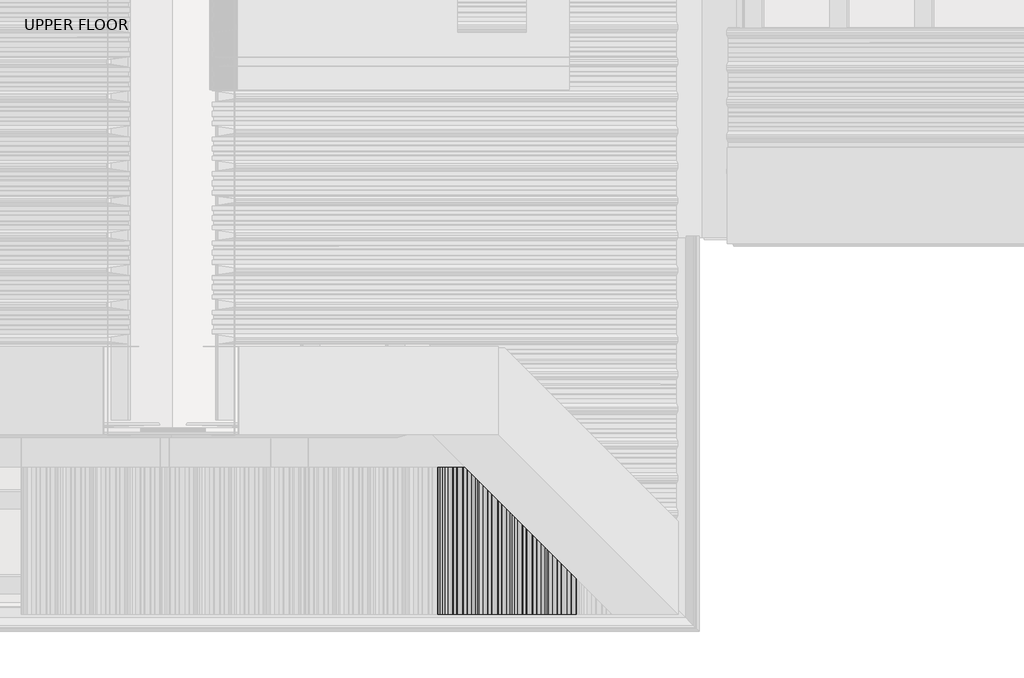
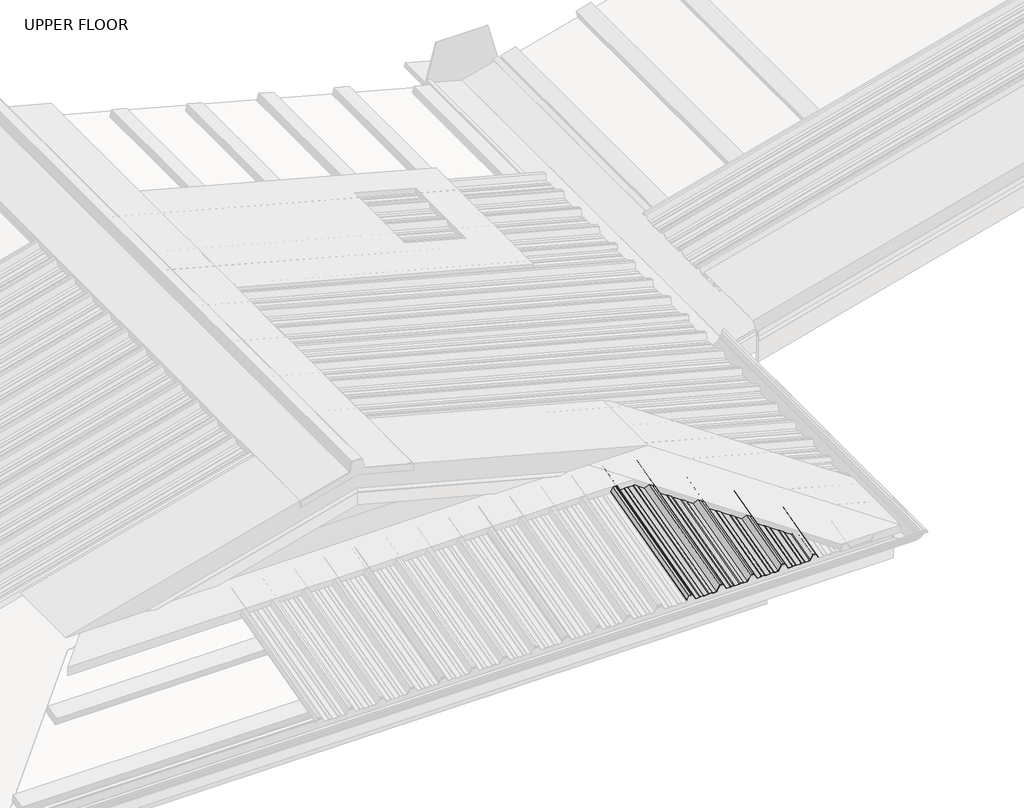
# One storey, part 9 of 21: 1 beam.
"""IFC4 building model written with IfcOpenShell, lengths in millimetres."""

from ifc_helpers import new_model, si_unit, frame, origin, place, context, project, spatial, circle_curve, ellipse_curve, element, save
from ifc_brep_helpers import plane_surface, cylinder_surface, advanced_brep

model = new_model("IFC4")

# Units and contexts
model_context = context("Model", 3, world=origin())
ifc_project = project(units=[si_unit("LENGTHUNIT", "METRE", prefix="MILLI")], contexts=[model_context])

# Site, building, storey
site = spatial("IfcSite", under=ifc_project)
building = spatial("IfcBuilding", under=site)
storey = spatial("IfcBuildingStorey", under=building, Name="UPPER FLOOR", Elevation=2700.0)

# Beam
placement = place(None, origin())
element("IfcBeam", 1, ObjectType="MC700", at=placement, inside=storey, context=model_context, shape_type="AdvancedBrep", body=[
    advanced_brep(
    [(3513.7965667, -3756.7074872, 3502.2532241), (3510.5815225, -3757.2355366, 3504.2239314), (3494.1535312, -3757.2355366, 3504.2239314), (3489.7732135, -3756.7074872, 3502.2532241), (3462.7151918, -3756.7074872, 3502.2532241), (3458.3348741, -3757.2355366, 3504.2239314), (3441.9068828, -3757.2355366, 3504.2239314), (3438.6918386, -3756.7074872, 3502.2532241), (3415.9942011, -3756.7074872, 3502.2532241), (3397.9196911, -3764.7308776, 3532.1969247), (3387.4942026, -3764.7308776, 3532.1969247), (3377.0687142, -3764.7308776, 3532.1969247), (3364.7658996, -3759.2695796, 3511.8150832), (3363.9020137, -3759.3999436, 3512.301608), (3376.4942026, -3764.9896966, 3533.1628505), (3387.4942026, -3764.9896966, 3533.1628505), (3398.4942026, -3764.9896966, 3533.1628505), (3416.5687126, -3756.9663062, 3503.2191499), (3438.4013241, -3756.9663062, 3503.2191499), (3441.6163683, -3757.4943557, 3505.1898572), (3458.5563376, -3757.4943557, 3505.1898572), (3462.9366553, -3756.9663062, 3503.2191499), (3489.55175, -3756.9663062, 3503.2191499), (3493.9320677, -3757.4943557, 3505.1898572), (3510.872037, -3757.4943557, 3505.1898572), (3514.0870812, -3756.9663062, 3503.2191499), (3534.2789948, -3756.9663062, 3503.2191499), (3534.0201757, -3756.7074872, 3502.2532241), (3667.2732135, -3889.960525, 3466.5481802), (3671.6535312, -3894.3408427, 3467.4866753), (3671.6535312, -4660.4975954, 3262.1955922), (3667.2732135, -4660.4975954, 3260.0833945), (3640.2151918, -3862.9025033, 3473.7983553), (3640.2151918, -4660.4975954, 3260.0833945), (3635.8348741, -3858.5221856, 3477.0842556), (3635.8348741, -4660.4975954, 3262.1955922), (3619.4068828, -3842.0941943, 3481.4861226), (3619.4068828, -4660.4975954, 3262.1955922), (3616.1918386, -3838.8791501, 3480.2353934), (3616.1918386, -4660.4975954, 3260.0833945), (3593.4942011, -3816.1815126, 3486.317207), (3593.4942011, -4660.4975954, 3260.0833945), (3575.4196911, -3798.1070026, 3523.253819), (3575.4196911, -4660.4975954, 3292.176956), (3564.9942026, -3787.6815141, 3526.0473202), (3564.9942026, -4660.4975954, 3292.176956), (3554.5687142, -3777.2560257, 3528.8408214), (3554.5687142, -4660.4975954, 3292.176956), (3536.4942042, -3759.1815157, 3501.5903101), (3536.4942042, -4660.4975954, 3260.0833945), (3513.7965667, -4660.4975954, 3260.0833945), (3510.5815225, -4660.4975954, 3262.1955922), (3494.1535312, -4660.4975954, 3262.1955922), (3489.7732135, -4660.4975954, 3260.0833945), (3462.7151918, -4660.4975954, 3260.0833945), (3458.3348741, -4660.4975954, 3262.1955922), (3441.9068828, -4660.4975954, 3262.1955922), (3438.6918386, -4660.4975954, 3260.0833945), (3415.9942011, -4660.4975954, 3260.0833945), (3397.9196911, -4660.4975954, 3292.176956), (3387.4942026, -4660.4975954, 3292.176956), (3377.0687142, -4660.4975954, 3292.176956), (3364.7658996, -4660.4975954, 3270.3317642), (3363.9020137, -4660.4975954, 3270.8532199), (3376.4942026, -4660.4975954, 3293.2122322), (3387.4942026, -4660.4975954, 3293.2122322), (3398.4942026, -4660.4975954, 3293.2122322), (3416.5687126, -4660.4975954, 3261.1186706), (3438.4013241, -4660.4975954, 3261.1186706), (3441.6163683, -4660.4975954, 3263.2308683), (3458.5563376, -4660.4975954, 3263.2308683), (3462.9366553, -4660.4975954, 3261.1186706), (3489.55175, -4660.4975954, 3261.1186706), (3493.9320677, -4660.4975954, 3263.2308683), (3510.872037, -4660.4975954, 3263.2308683), (3514.0870812, -4660.4975954, 3261.1186706), (3535.9196927, -3758.6070041, 3502.7795262), (3535.9196927, -4660.4975954, 3261.1186706), (3553.9942026, -3776.6815141, 3530.0300375), (3553.9942026, -4660.4975954, 3293.2122322), (3564.9942026, -3787.6815141, 3527.0825964), (3564.9942026, -4660.4975954, 3293.2122322), (3575.9942026, -3798.6815141, 3524.1351552), (3575.9942026, -4660.4975954, 3293.2122322), (3594.0687126, -3816.7560241, 3487.1985433), (3594.0687126, -4660.4975954, 3261.1186706), (3615.9013241, -3838.5886356, 3481.3485127), (3615.9013241, -4660.4975954, 3261.1186706), (3619.1163683, -3841.8036798, 3482.5992419), (3619.1163683, -4660.4975954, 3263.2308683), (3636.0563376, -3858.7436491, 3478.0601908), (3636.0563376, -4660.4975954, 3263.2308683), (3640.4366553, -3863.1239668, 3474.7742905), (3640.4366553, -4660.4975954, 3261.1186706), (3667.05175, -3889.7390615, 3467.6427974), (3667.05175, -4660.4975954, 3261.1186706), (3671.4320677, -3894.1193792, 3468.5812925), (3671.4320677, -4660.4975954, 3263.2308683), (3688.372037, -3911.0593485, 3464.0422414), (3688.372037, -4660.4975954, 3263.2308683), (3691.5870812, -3914.2743927, 3461.0685752), (3691.5870812, -4660.4975954, 3261.1186706), (3713.4196927, -3936.1070041, 3455.2185446), (3713.4196927, -4660.4975954, 3261.1186706), (3731.4942026, -3954.1815141, 3482.4690558), (3731.4942026, -4660.4975954, 3293.2122322), (3742.4942026, -3965.1815141, 3479.5216147), (3742.4942026, -4660.4975954, 3293.2122322), (3753.4942026, -3976.1815141, 3476.5741736), (3753.4942026, -4660.4975954, 3293.2122322), (3771.5687126, -3994.2560241, 3439.6375616), (3771.5687126, -4660.4975954, 3261.1186706), (3793.4013241, -4016.0886356, 3433.787531), (3793.4013241, -4660.4975954, 3261.1186706), (3796.6163683, -4019.3036798, 3435.0382602), (3796.6163683, -4660.4975954, 3263.2308683), (3813.5563376, -4036.2436491, 3430.4992091), (3813.5563376, -4660.4975954, 3263.2308683), (3817.9366553, -4040.6239668, 3427.2133088), (3817.9366553, -4660.4975954, 3261.1186706), (3844.55175, -4067.2390615, 3420.0818157), (3844.55175, -4660.4975954, 3261.1186706), (3848.9320677, -4071.6193792, 3421.0203108), (3848.9320677, -4660.4975954, 3263.2308683), (3865.872037, -4088.5593485, 3416.4812597), (3865.872037, -4660.4975954, 3263.2308683), (3869.0870812, -4091.7743927, 3413.5075935), (3869.0870812, -4660.4975954, 3261.1186706), (3890.9196927, -4113.6070041, 3407.6575629), (3890.9196927, -4660.4975954, 3261.1186706), (3908.9942026, -4131.6815141, 3434.9080742), (3908.9942026, -4660.4975954, 3293.2122322), (3919.9942026, -4142.6815141, 3431.960633), (3919.9942026, -4660.4975954, 3293.2122322), (3930.9942026, -4153.6815141, 3429.0131919), (3930.9942026, -4660.4975954, 3293.2122322), (3949.0687126, -4171.7560241, 3392.07658), (3949.0687126, -4660.4975954, 3261.1186706), (3970.9013241, -4193.5886356, 3386.2265494), (3970.9013241, -4660.4975954, 3261.1186706), (3974.1163683, -4196.8036798, 3387.4772786), (3974.1163683, -4660.4975954, 3263.2308683), (3991.0563376, -4213.7436491, 3382.9382275), (3991.0563376, -4660.4975954, 3263.2308683), (3995.4366553, -4218.1239668, 3379.6523272), (3995.4366553, -4660.4975954, 3261.1186706), (4022.05175, -4244.7390615, 3372.5208341), (4022.05175, -4660.4975954, 3261.1186706), (4026.4320677, -4249.1193792, 3373.4593292), (4026.4320677, -4660.4975954, 3263.2308683), (4043.372037, -4266.0593485, 3368.9202781), (4043.372037, -4660.4975954, 3263.2308683), (4046.5870812, -4269.2743927, 3365.9466119), (4046.5870812, -4660.4975954, 3261.1186706), (4070.7348132, -4293.4221247, 3359.4762466), (4070.7348132, -4660.4975954, 3261.1186706), (4087.6432258, -4310.3305373, 3384.9686603), (4087.6432258, -4660.4975954, 3291.1416799), (4107.3451795, -4330.032491, 3379.6895377), (4107.3451795, -4660.4975954, 3291.1416799), (4121.7906953, -4344.4780068, 3350.1690467), (4121.7906953, -4660.4975954, 3265.4918531), (4120.9268094, -4343.6141209, 3349.8790685), (4120.9268094, -4660.4975954, 3264.9703974), (4106.7706679, -4329.4579794, 3378.8082015), (4106.7706679, -4660.4975954, 3290.1064037), (4088.2177374, -4310.9050488, 3383.7794442), (4088.2177374, -4660.4975954, 3290.1064037), (4071.3093248, -4293.9966363, 3358.2870305), (4071.3093248, -4660.4975954, 3260.0833945), (4046.2965667, -4268.9838782, 3364.9891788), (4046.2965667, -4660.4975954, 3260.0833945), (4043.0815225, -4265.768834, 3367.962845), (4043.0815225, -4660.4975954, 3262.1955922), (4026.6535312, -4249.3408427, 3372.364712), (4026.6535312, -4660.4975954, 3262.1955922), (4022.2732135, -4244.960525, 3371.4262169), (4022.2732135, -4660.4975954, 3260.0833945), (3995.2151918, -4217.9025033, 3378.676392), (3995.2151918, -4660.4975954, 3260.0833945), (3990.8348741, -4213.5221856, 3381.9622923), (3990.8348741, -4660.4975954, 3262.1955922), (3974.4068828, -4197.0941943, 3386.3641593), (3974.4068828, -4660.4975954, 3262.1955922), (3971.1918386, -4193.8791501, 3385.1134301), (3971.1918386, -4660.4975954, 3260.0833945), (3948.4942011, -4171.1815126, 3391.1952437), (3948.4942011, -4660.4975954, 3260.0833945), (3930.4196911, -4153.1070026, 3428.1318557), (3930.4196911, -4660.4975954, 3292.176956), (3919.9942026, -4142.6815141, 3430.9253569), (3919.9942026, -4660.4975954, 3292.176956), (3909.5687142, -4132.2560257, 3433.7188581), (3909.5687142, -4660.4975954, 3292.176956), (3891.4942042, -4114.1815157, 3406.4683468), (3891.4942042, -4660.4975954, 3260.0833945), (3868.7965667, -4091.4838782, 3412.5501605), (3868.7965667, -4660.4975954, 3260.0833945), (3865.5815225, -4088.268834, 3415.5238267), (3865.5815225, -4660.4975954, 3262.1955922), (3849.1535312, -4071.8408427, 3419.9256937), (3849.1535312, -4660.4975954, 3262.1955922), (3844.7732135, -4067.460525, 3418.9871986), (3844.7732135, -4660.4975954, 3260.0833945), (3817.7151918, -4040.4025033, 3426.2373736), (3817.7151918, -4660.4975954, 3260.0833945), (3813.3348741, -4036.0221856, 3429.5232739), (3813.3348741, -4660.4975954, 3262.1955922), (3796.9068828, -4019.5941943, 3433.9251409), (3796.9068828, -4660.4975954, 3262.1955922), (3793.6918386, -4016.3791501, 3432.6744117), (3793.6918386, -4660.4975954, 3260.0833945), (3770.9942011, -3993.6815126, 3438.7562254), (3770.9942011, -4660.4975954, 3260.0833945), (3752.9196911, -3975.6070026, 3475.6928373), (3752.9196911, -4660.4975954, 3292.176956), (3742.4942026, -3965.1815141, 3478.4863385), (3742.4942026, -4660.4975954, 3292.176956), (3732.0687142, -3954.7560257, 3481.2798397), (3732.0687142, -4660.4975954, 3292.176956), (3713.9942042, -3936.6815157, 3454.0293285), (3713.9942042, -4660.4975954, 3260.0833945), (3691.2965667, -3913.9838782, 3460.1111421), (3691.2965667, -4660.4975954, 3260.0833945), (3688.0815225, -3910.768834, 3463.0848083), (3688.0815225, -4660.4975954, 3262.1955922)],
    [
        (0, 1),
        (1, 2),
        (2, 3),
        (3, 4),
        (4, 5),
        (5, 6),
        (6, 7),
        (7, 8),
        (8, 9),
        (9, 10),
        (10, 11),
        (11, 12),
        (12, 13, circle_curve(frame((3364.3339567, -3759.3347616, 3512.0583456), z_axis=(0.0, 0.9659258262890683, 0.2588190451025206), x_axis=(-1.0000000000000002, 0.0, 0.0)), 0.5)),
        (13, 14),
        (14, 15),
        (15, 16),
        (16, 17),
        (17, 18),
        (18, 19),
        (19, 20),
        (20, 21),
        (21, 22),
        (22, 23),
        (23, 24),
        (24, 25),
        (25, 26),
        (26, 27),
        (27, 0),
        (28, 29),
        (29, 30),
        (30, 31),
        (31, 28),
        (32, 28),
        (31, 33),
        (33, 32),
        (34, 32),
        (33, 35),
        (35, 34),
        (36, 34),
        (35, 37),
        (37, 36),
        (38, 36),
        (37, 39),
        (39, 38),
        (40, 38),
        (39, 41),
        (41, 40),
        (42, 40),
        (41, 43),
        (43, 42),
        (44, 42),
        (43, 45),
        (45, 44),
        (46, 44),
        (45, 47),
        (47, 46),
        (48, 46),
        (47, 49),
        (49, 48),
        (27, 48),
        (49, 50),
        (50, 0),
        (50, 51),
        (51, 1),
        (51, 52),
        (52, 2),
        (52, 53),
        (53, 3),
        (53, 54),
        (54, 4),
        (54, 55),
        (55, 5),
        (55, 56),
        (56, 6),
        (56, 57),
        (57, 7),
        (57, 58),
        (58, 8),
        (58, 59),
        (59, 9),
        (59, 60),
        (60, 10),
        (60, 61),
        (61, 11),
        (61, 62),
        (62, 12),
        (62, 63, ellipse_curve(frame((3364.3339567, -4660.4975954, 3270.5924921), z_axis=(0.0, 1.0, 0.0), x_axis=(0.0, 0.0, 1.0)), 0.5176381, 0.5)),
        (63, 13),
        (63, 64),
        (64, 14),
        (64, 65),
        (65, 15),
        (65, 66),
        (66, 16),
        (66, 67),
        (67, 17),
        (67, 68),
        (68, 18),
        (68, 69),
        (69, 19),
        (69, 70),
        (70, 20),
        (70, 71),
        (71, 21),
        (71, 72),
        (72, 22),
        (72, 73),
        (73, 23),
        (73, 74),
        (74, 24),
        (74, 75),
        (75, 25),
        (76, 26),
        (75, 77),
        (77, 76),
        (78, 76),
        (77, 79),
        (79, 78),
        (80, 78),
        (79, 81),
        (81, 80),
        (82, 80),
        (81, 83),
        (83, 82),
        (84, 82),
        (83, 85),
        (85, 84),
        (86, 84),
        (85, 87),
        (87, 86),
        (88, 86),
        (87, 89),
        (89, 88),
        (90, 88),
        (89, 91),
        (91, 90),
        (92, 90),
        (91, 93),
        (93, 92),
        (94, 92),
        (93, 95),
        (95, 94),
        (96, 94),
        (95, 97),
        (97, 96),
        (98, 96),
        (97, 99),
        (99, 98),
        (100, 98),
        (99, 101),
        (101, 100),
        (102, 100),
        (101, 103),
        (103, 102),
        (104, 102),
        (103, 105),
        (105, 104),
        (106, 104),
        (105, 107),
        (107, 106),
        (108, 106),
        (107, 109),
        (109, 108),
        (110, 108),
        (109, 111),
        (111, 110),
        (112, 110),
        (111, 113),
        (113, 112),
        (114, 112),
        (113, 115),
        (115, 114),
        (116, 114),
        (115, 117),
        (117, 116),
        (118, 116),
        (117, 119),
        (119, 118),
        (120, 118),
        (119, 121),
        (121, 120),
        (122, 120),
        (121, 123),
        (123, 122),
        (124, 122),
        (123, 125),
        (125, 124),
        (126, 124),
        (125, 127),
        (127, 126),
        (128, 126),
        (127, 129),
        (129, 128),
        (130, 128),
        (129, 131),
        (131, 130),
        (132, 130),
        (131, 133),
        (133, 132),
        (134, 132),
        (133, 135),
        (135, 134),
        (136, 134),
        (135, 137),
        (137, 136),
        (138, 136),
        (137, 139),
        (139, 138),
        (140, 138),
        (139, 141),
        (141, 140),
        (142, 140),
        (141, 143),
        (143, 142),
        (144, 142),
        (143, 145),
        (145, 144),
        (146, 144),
        (145, 147),
        (147, 146),
        (148, 146),
        (147, 149),
        (149, 148),
        (150, 148),
        (149, 151),
        (151, 150),
        (152, 150),
        (151, 153),
        (153, 152),
        (154, 152),
        (153, 155),
        (155, 154),
        (156, 154),
        (155, 157),
        (157, 156),
        (158, 156),
        (157, 159),
        (159, 158),
        (160, 158),
        (159, 161),
        (161, 160),
        (162, 160, ellipse_curve(frame((4121.3587523, -4344.0460638, 3350.0240576), z_axis=(-0.7071067811865475, -0.7071067811865476, 0.0), x_axis=(-0.6612248329466449, 0.6612248329466448, 0.3543493200069154)), 0.7320508, 0.5)),
        (161, 163, ellipse_curve(frame((4121.3587523, -4660.4975954, 3265.2311252), z_axis=(0.0, 1.0, 0.0), x_axis=(0.0, 0.0, 1.0)), 0.5176381, 0.5)),
        (163, 162),
        (164, 162),
        (163, 165),
        (165, 164),
        (166, 164),
        (165, 167),
        (167, 166),
        (168, 166),
        (167, 169),
        (169, 168),
        (170, 168),
        (169, 171),
        (171, 170),
        (172, 170),
        (171, 173),
        (173, 172),
        (174, 172),
        (173, 175),
        (175, 174),
        (176, 174),
        (175, 177),
        (177, 176),
        (178, 176),
        (177, 179),
        (179, 178),
        (180, 178),
        (179, 181),
        (181, 180),
        (182, 180),
        (181, 183),
        (183, 182),
        (184, 182),
        (183, 185),
        (185, 184),
        (186, 184),
        (185, 187),
        (187, 186),
        (188, 186),
        (187, 189),
        (189, 188),
        (190, 188),
        (189, 191),
        (191, 190),
        (192, 190),
        (191, 193),
        (193, 192),
        (194, 192),
        (193, 195),
        (195, 194),
        (196, 194),
        (195, 197),
        (197, 196),
        (198, 196),
        (197, 199),
        (199, 198),
        (200, 198),
        (199, 201),
        (201, 200),
        (202, 200),
        (201, 203),
        (203, 202),
        (204, 202),
        (203, 205),
        (205, 204),
        (206, 204),
        (205, 207),
        (207, 206),
        (208, 206),
        (207, 209),
        (209, 208),
        (210, 208),
        (209, 211),
        (211, 210),
        (212, 210),
        (211, 213),
        (213, 212),
        (214, 212),
        (213, 215),
        (215, 214),
        (216, 214),
        (215, 217),
        (217, 216),
        (218, 216),
        (217, 219),
        (219, 218),
        (220, 218),
        (219, 221),
        (221, 220),
        (222, 220),
        (221, 223),
        (223, 222),
        (224, 222),
        (223, 225),
        (225, 224),
        (29, 224),
        (225, 30),
    ],
    [
        plane_surface(frame((3817.7151918, -3756.7074872, 3502.2532241), z_axis=(0.0, 0.9659258262890685, 0.25881904510252035), x_axis=(-0.9064939238095152, -0.10927828227881019, 0.40783210162838035))),
        plane_surface(frame((3671.6535312, -3757.2355366, 3504.2239314), z_axis=(0.42221886042244317, 0.23461789175161535, -0.8756058923817271), x_axis=(0.0, -0.9659258262890683, -0.2588190451025206))),
        plane_surface(frame((3667.2732135, -3756.7074872, 3502.2532241), z_axis=(0.0, 0.2588190451025206, -0.9659258262890683), x_axis=(0.0, -0.9659258262890683, -0.2588190451025206))),
        plane_surface(frame((3640.2151918, -3756.7074872, 3502.2532241), z_axis=(-0.42221886042244317, 0.23461789175161676, -0.8756058923817267), x_axis=(0.0, -0.9659258262890683, -0.2588190451025206))),
        plane_surface(frame((3635.8348741, -3757.2355366, 3504.2239314), z_axis=(0.0, 0.2588190451025206, -0.9659258262890683), x_axis=(0.0, -0.9659258262890683, -0.2588190451025206))),
        plane_surface(frame((3619.4068828, -3757.2355366, 3504.2239314), z_axis=(0.5358075541289593, 0.21853130769187554, -0.8155699433505511), x_axis=(0.0, -0.9659258262890683, -0.2588190451025206))),
        plane_surface(frame((3616.1918386, -3756.7074872, 3502.2532241), z_axis=(0.0, 0.2588190451025206, -0.9659258262890683), x_axis=(0.0, -0.9659258262890683, -0.2588190451025206))),
        plane_surface(frame((3593.4942011, -3756.7074872, 3502.2532241), z_axis=(-0.8638858976217886, 0.1303639327417882, -0.4865248204668401), x_axis=(0.0, -0.9659258262890683, -0.2588190451025206))),
        plane_surface(frame((3575.4196911, -3764.7308776, 3532.1969247), z_axis=(0.0, 0.2588190451025206, -0.9659258262890683), x_axis=(0.0, -0.9659258262890683, -0.2588190451025206))),
        plane_surface(frame((3564.9942026, -3764.7308776, 3532.1969247), z_axis=(0.0, 0.2588190451025206, -0.9659258262890683), x_axis=(0.0, -0.9659258262890683, -0.2588190451025206))),
        plane_surface(frame((3554.5687142, -3764.7308776, 3532.1969247), z_axis=(0.8638858976217945, 0.13036393274178276, -0.4865248204668313), x_axis=(0.0, -0.9659258262890683, -0.2588190451025206))),
        plane_surface(frame((3536.4942042, -3756.7074872, 3502.2532241), z_axis=(0.0, 0.2588190451025206, -0.9659258262890683), x_axis=(0.0, -0.9659258262890683, -0.2588190451025206))),
        plane_surface(frame((3513.7965667, -3756.7074872, 3502.2532241), z_axis=(-0.53580755412894, 0.21853130769188048, -0.8155699433505624), x_axis=(0.0, -0.9659258262890683, -0.2588190451025206))),
        plane_surface(frame((3510.5815225, -3757.2355366, 3504.2239314), z_axis=(0.0, 0.2588190451025206, -0.9659258262890683), x_axis=(0.0, -0.9659258262890683, -0.2588190451025206))),
        plane_surface(frame((3494.1535312, -3757.2355366, 3504.2239314), z_axis=(0.42221886042244033, 0.23461789175161574, -0.8756058923817285), x_axis=(0.0, -0.9659258262890683, -0.2588190451025206))),
        plane_surface(frame((3489.7732135, -3756.7074872, 3502.2532241), z_axis=(0.0, 0.2588190451025206, -0.9659258262890683), x_axis=(0.0, -0.9659258262890683, -0.2588190451025206))),
        plane_surface(frame((3462.7151918, -3756.7074872, 3502.2532241), z_axis=(-0.42221886042244317, 0.23461789175161682, -0.8756058923817267), x_axis=(0.0, -0.9659258262890683, -0.2588190451025206))),
        plane_surface(frame((3458.3348741, -3757.2355366, 3504.2239314), z_axis=(0.0, 0.2588190451025206, -0.9659258262890683), x_axis=(0.0, -0.9659258262890683, -0.2588190451025206))),
        plane_surface(frame((3441.9068828, -3757.2355366, 3504.2239314), z_axis=(0.5358075541289592, 0.21853130769187545, -0.8155699433505511), x_axis=(0.0, -0.9659258262890683, -0.2588190451025206))),
        plane_surface(frame((3438.6918386, -3756.7074872, 3502.2532241), z_axis=(0.0, 0.2588190451025206, -0.9659258262890683), x_axis=(0.0, -0.9659258262890683, -0.2588190451025206))),
        plane_surface(frame((3415.9942011, -3756.7074872, 3502.2532241), z_axis=(-0.8638858976217886, 0.1303639327417882, -0.4865248204668401), x_axis=(0.0, -0.9659258262890683, -0.2588190451025206))),
        plane_surface(frame((3397.9196911, -3764.7308776, 3532.1969247), z_axis=(0.0, 0.2588190451025206, -0.9659258262890683), x_axis=(0.0, -0.9659258262890683, -0.2588190451025206))),
        plane_surface(frame((3387.4942026, -3764.7308776, 3532.1969247), z_axis=(0.0, 0.2588190451025205, -0.9659258262890683), x_axis=(0.0, -0.9659258262890683, -0.2588190451025205))),
        plane_surface(frame((3377.0687142, -3764.7308776, 3532.1969247), z_axis=(0.863885897621789, 0.13036393274178507, -0.48652482046684037), x_axis=(0.0, -0.9659258262890683, -0.2588190451025206))),
        cylinder_surface(frame((3364.3339567, -4672.135119, 3267.474227), z_axis=(0.0, 0.9659258262890683, 0.2588190451025206), x_axis=(-1.0000000000000002, 0.0, 0.0)), 0.5),
        plane_surface(frame((3363.9020137, -3759.3999436, 3512.301608), z_axis=(-0.8638858976218092, -0.1303639327417763, 0.48652482046680706), x_axis=(0.0, -0.9659258262890683, -0.25881904510252063))),
        plane_surface(frame((3376.4942026, -3764.9896966, 3533.1628505), z_axis=(0.0, -0.2588190451025205, 0.9659258262890683), x_axis=(0.0, -0.9659258262890683, -0.2588190451025205))),
        plane_surface(frame((3387.4942026, -3764.9896966, 3533.1628505), z_axis=(0.0, -0.2588190451025206, 0.9659258262890683), x_axis=(0.0, -0.9659258262890683, -0.2588190451025206))),
        plane_surface(frame((3398.4942026, -3764.9896966, 3533.1628505), z_axis=(0.8638858976217886, -0.13036393274178834, 0.48652482046684004), x_axis=(0.0, -0.9659258262890683, -0.25881904510252063))),
        plane_surface(frame((3416.5687126, -3756.9663062, 3503.2191499), z_axis=(0.0, -0.2588190451025206, 0.9659258262890683), x_axis=(0.0, -0.9659258262890683, -0.2588190451025206))),
        plane_surface(frame((3438.4013241, -3756.9663062, 3503.2191499), z_axis=(-0.5358075541289432, -0.21853130769187817, 0.8155699433505609), x_axis=(0.0, -0.9659258262890683, -0.2588190451025206))),
        plane_surface(frame((3441.6163683, -3757.4943557, 3505.1898572), z_axis=(0.0, -0.2588190451025206, 0.9659258262890683), x_axis=(0.0, -0.9659258262890683, -0.2588190451025206))),
        plane_surface(frame((3458.5563376, -3757.4943557, 3505.1898572), z_axis=(0.42221886042244605, -0.2346178917516165, 0.8756058923817254), x_axis=(0.0, -0.9659258262890683, -0.25881904510252063))),
        plane_surface(frame((3462.9366553, -3756.9663062, 3503.2191499), z_axis=(0.0, -0.2588190451025206, 0.9659258262890683), x_axis=(0.0, -0.9659258262890683, -0.2588190451025206))),
        plane_surface(frame((3489.55175, -3756.9663062, 3503.2191499), z_axis=(-0.4222188604224378, -0.23461789175161601, 0.8756058923817296), x_axis=(0.0, -0.9659258262890683, -0.2588190451025206))),
        plane_surface(frame((3493.9320677, -3757.4943557, 3505.1898572), z_axis=(0.0, -0.2588190451025206, 0.9659258262890683), x_axis=(0.0, -0.9659258262890683, -0.2588190451025206))),
        plane_surface(frame((3510.872037, -3757.4943557, 3505.1898572), z_axis=(0.5358075541289593, -0.21853130769187734, 0.8155699433505507), x_axis=(0.0, -0.9659258262890683, -0.2588190451025206))),
        plane_surface(frame((3514.0870812, -3756.9663062, 3503.2191499), z_axis=(0.0, -0.2588190451025206, 0.9659258262890683), x_axis=(0.0, -0.9659258262890683, -0.2588190451025206))),
        plane_surface(frame((3535.9196927, -3756.9663062, 3503.2191499), z_axis=(-0.8638858976217945, -0.13036393274178268, 0.4865248204668312), x_axis=(0.0, -0.9659258262890683, -0.2588190451025206))),
        plane_surface(frame((3553.9942026, -3764.9896966, 3533.1628505), z_axis=(0.0, -0.2588190451025206, 0.9659258262890683), x_axis=(0.0, -0.9659258262890683, -0.2588190451025206))),
        plane_surface(frame((3564.9942026, -3764.9896966, 3533.1628505), z_axis=(0.0, -0.2588190451025206, 0.9659258262890683), x_axis=(0.0, -0.9659258262890683, -0.2588190451025206))),
        plane_surface(frame((3575.9942026, -3764.9896966, 3533.1628505), z_axis=(0.8638858976217904, -0.1303639327417875, 0.4865248204668373), x_axis=(0.0, -0.9659258262890683, -0.2588190451025206))),
        plane_surface(frame((3594.0687126, -3756.9663062, 3503.2191499), z_axis=(0.0, -0.2588190451025206, 0.9659258262890683), x_axis=(0.0, -0.9659258262890683, -0.2588190451025206))),
        plane_surface(frame((3615.9013241, -3756.9663062, 3503.2191499), z_axis=(-0.5358075541289592, -0.2185313076918755, 0.8155699433505511), x_axis=(0.0, -0.9659258262890683, -0.2588190451025206))),
        plane_surface(frame((3619.1163683, -3757.4943557, 3505.1898572), z_axis=(0.0, -0.2588190451025206, 0.9659258262890683), x_axis=(0.0, -0.9659258262890683, -0.2588190451025206))),
        plane_surface(frame((3636.0563376, -3757.4943557, 3505.1898572), z_axis=(0.42221886042245393, -0.2346178917516155, 0.8756058923817218), x_axis=(0.0, -0.9659258262890683, -0.2588190451025206))),
        plane_surface(frame((3640.4366553, -3756.9663062, 3503.2191499), z_axis=(0.0, -0.2588190451025206, 0.9659258262890683), x_axis=(0.0, -0.9659258262890683, -0.2588190451025206))),
        plane_surface(frame((3667.05175, -3756.9663062, 3503.2191499), z_axis=(-0.4222188604224407, -0.23461789175161568, 0.8756058923817283), x_axis=(0.0, -0.9659258262890683, -0.2588190451025206))),
        plane_surface(frame((3671.4320677, -3757.4943557, 3505.1898572), z_axis=(0.0, -0.2588190451025206, 0.9659258262890683), x_axis=(0.0, -0.9659258262890683, -0.2588190451025206))),
        plane_surface(frame((3688.372037, -3757.4943557, 3505.1898572), z_axis=(0.5358075541289656, -0.21853130769187631, 0.8155699433505468), x_axis=(0.0, -0.9659258262890683, -0.2588190451025206))),
        plane_surface(frame((3691.5870812, -3756.9663062, 3503.2191499), z_axis=(0.0, -0.2588190451025206, 0.9659258262890683), x_axis=(0.0, -0.9659258262890683, -0.2588190451025206))),
        plane_surface(frame((3713.4196927, -3756.9663062, 3503.2191499), z_axis=(-0.8638858976217904, -0.13036393274178446, 0.48652482046683787), x_axis=(0.0, -0.9659258262890683, -0.2588190451025206))),
        plane_surface(frame((3731.4942026, -3764.9896966, 3533.1628505), z_axis=(0.0, -0.2588190451025206, 0.9659258262890683), x_axis=(0.0, -0.9659258262890683, -0.2588190451025206))),
        plane_surface(frame((3742.4942026, -3764.9896966, 3533.1628505), z_axis=(0.0, -0.2588190451025206, 0.9659258262890683), x_axis=(0.0, -0.9659258262890683, -0.2588190451025206))),
        plane_surface(frame((3753.4942026, -3764.9896966, 3533.1628505), z_axis=(0.8638858976217879, -0.13036393274178862, 0.48652482046684137), x_axis=(0.0, -0.9659258262890683, -0.2588190451025206))),
        plane_surface(frame((3771.5687126, -3756.9663062, 3503.2191499), z_axis=(0.0, -0.2588190451025206, 0.9659258262890683), x_axis=(0.0, -0.9659258262890683, -0.2588190451025206))),
        plane_surface(frame((3793.4013241, -3756.9663062, 3503.2191499), z_axis=(-0.5358075541289553, -0.21853130769187623, 0.8155699433505538), x_axis=(0.0, -0.9659258262890683, -0.2588190451025206))),
        plane_surface(frame((3796.6163683, -3757.4943557, 3505.1898572), z_axis=(0.0, -0.2588190451025206, 0.9659258262890683), x_axis=(0.0, -0.9659258262890683, -0.2588190451025206))),
        plane_surface(frame((3813.5563376, -3757.4943557, 3505.1898572), z_axis=(0.42221886042244594, -0.2346178917516165, 0.8756058923817255), x_axis=(0.0, -0.9659258262890683, -0.2588190451025206))),
        plane_surface(frame((3817.9366553, -3756.9663062, 3503.2191499), z_axis=(0.0, -0.2588190451025206, 0.9659258262890683), x_axis=(0.0, -0.9659258262890683, -0.2588190451025206))),
        plane_surface(frame((3844.55175, -3756.9663062, 3503.2191499), z_axis=(-0.42221886042244855, -0.23461789175161474, 0.8756058923817247), x_axis=(0.0, -0.9659258262890683, -0.2588190451025206))),
        plane_surface(frame((3848.9320677, -3757.4943557, 3505.1898572), z_axis=(0.0, -0.2588190451025206, 0.9659258262890683), x_axis=(0.0, -0.9659258262890683, -0.2588190451025206))),
        plane_surface(frame((3865.872037, -3757.4943557, 3505.1898572), z_axis=(0.5358075541289593, -0.21853130769187734, 0.8155699433505507), x_axis=(0.0, -0.9659258262890683, -0.2588190451025206))),
        plane_surface(frame((3869.0870812, -3756.9663062, 3503.2191499), z_axis=(0.0, -0.2588190451025206, 0.9659258262890683), x_axis=(0.0, -0.9659258262890683, -0.2588190451025206))),
        plane_surface(frame((3890.9196927, -3756.9663062, 3503.2191499), z_axis=(-0.8638858976217911, -0.13036393274178418, 0.48652482046683676), x_axis=(0.0, -0.9659258262890683, -0.2588190451025206))),
        plane_surface(frame((3908.9942026, -3764.9896966, 3533.1628505), z_axis=(0.0, -0.2588190451025206, 0.9659258262890683), x_axis=(0.0, -0.9659258262890683, -0.2588190451025206))),
        plane_surface(frame((3919.9942026, -3764.9896966, 3533.1628505), z_axis=(0.0, -0.2588190451025206, 0.9659258262890683), x_axis=(0.0, -0.9659258262890683, -0.2588190451025206))),
        plane_surface(frame((3930.9942026, -3764.9896966, 3533.1628505), z_axis=(0.8638858976217862, -0.13036393274178934, 0.48652482046684403), x_axis=(0.0, -0.9659258262890683, -0.2588190451025206))),
        plane_surface(frame((3949.0687126, -3756.9663062, 3503.2191499), z_axis=(0.0, -0.2588190451025206, 0.9659258262890683), x_axis=(0.0, -0.9659258262890683, -0.2588190451025206))),
        plane_surface(frame((3970.9013241, -3756.9663062, 3503.2191499), z_axis=(-0.5358075541289553, -0.21853130769187623, 0.8155699433505538), x_axis=(0.0, -0.9659258262890683, -0.2588190451025206))),
        plane_surface(frame((3974.1163683, -3757.4943557, 3505.1898572), z_axis=(0.0, -0.2588190451025206, 0.9659258262890683), x_axis=(0.0, -0.9659258262890683, -0.2588190451025206))),
        plane_surface(frame((3991.0563376, -3757.4943557, 3505.1898572), z_axis=(0.42221886042244855, -0.23461789175161618, 0.8756058923817243), x_axis=(0.0, -0.9659258262890683, -0.2588190451025206))),
        plane_surface(frame((3995.4366553, -3756.9663062, 3503.2191499), z_axis=(0.0, -0.2588190451025206, 0.9659258262890683), x_axis=(0.0, -0.9659258262890683, -0.2588190451025206))),
        plane_surface(frame((4022.05175, -3756.9663062, 3503.2191499), z_axis=(-0.42221886042244583, -0.23461789175161504, 0.8756058923817259), x_axis=(0.0, -0.9659258262890683, -0.2588190451025206))),
        plane_surface(frame((4026.4320677, -3757.4943557, 3505.1898572), z_axis=(0.0, -0.2588190451025206, 0.9659258262890683), x_axis=(0.0, -0.9659258262890683, -0.2588190451025206))),
        plane_surface(frame((4043.372037, -3757.4943557, 3505.1898572), z_axis=(0.5358075541289553, -0.218531307691878, 0.8155699433505531), x_axis=(0.0, -0.9659258262890683, -0.2588190451025206))),
        plane_surface(frame((4046.5870812, -3756.9663062, 3503.2191499), z_axis=(0.0, -0.2588190451025206, 0.9659258262890683), x_axis=(0.0, -0.9659258262890683, -0.2588190451025206))),
        plane_surface(frame((4070.7348132, -3756.9663062, 3503.2191499), z_axis=(-0.8638858976217909, -0.1303639327417843, 0.4865248204668372), x_axis=(0.0, -0.9659258262890683, -0.2588190451025206))),
        plane_surface(frame((4087.6432258, -3764.4720586, 3531.2309989), z_axis=(0.0, -0.2588190451025206, 0.9659258262890683), x_axis=(0.0, -0.9659258262890683, -0.2588190451025206))),
        plane_surface(frame((4107.3451795, -3764.4720586, 3531.2309989), z_axis=(0.8638858976217945, -0.13036393274178576, 0.48652482046683077), x_axis=(0.0, -0.9659258262890683, -0.2588190451025206))),
        cylinder_surface(frame((4121.3587523, -4670.7947773, 3262.4720037), z_axis=(0.0, 0.9659258262890683, 0.2588190451025206), x_axis=(-1.0000000000000002, 0.0, 0.0)), 0.5),
        plane_surface(frame((4120.9268094, -3757.9292379, 3506.8128599), z_axis=(-0.8638858976217776, 0.13036393274179317, -0.4865248204668584), x_axis=(0.0, -0.9659258262890683, -0.2588190451025206))),
        plane_surface(frame((4106.7706679, -3764.2132395, 3530.265073), z_axis=(0.0, 0.2588190451025206, -0.9659258262890683), x_axis=(0.0, -0.9659258262890683, -0.2588190451025206))),
        plane_surface(frame((4088.2177374, -3764.2132395, 3530.265073), z_axis=(0.8638858976217909, 0.1303639327417843, -0.4865248204668372), x_axis=(0.0, -0.9659258262890683, -0.2588190451025206))),
        plane_surface(frame((4071.3093248, -3756.7074872, 3502.2532241), z_axis=(0.0, 0.2588190451025206, -0.9659258262890683), x_axis=(0.0, -0.9659258262890683, -0.2588190451025206))),
        plane_surface(frame((4046.2965667, -3756.7074872, 3502.2532241), z_axis=(-0.5358075541289553, 0.218531307691878, -0.8155699433505531), x_axis=(0.0, -0.9659258262890683, -0.2588190451025206))),
        plane_surface(frame((4043.0815225, -3757.2355366, 3504.2239314), z_axis=(0.0, 0.2588190451025206, -0.9659258262890683), x_axis=(0.0, -0.9659258262890683, -0.2588190451025206))),
        plane_surface(frame((4026.6535312, -3757.2355366, 3504.2239314), z_axis=(0.42221886042244583, 0.23461789175161504, -0.8756058923817259), x_axis=(0.0, -0.9659258262890683, -0.2588190451025206))),
        plane_surface(frame((4022.2732135, -3756.7074872, 3502.2532241), z_axis=(0.0, 0.2588190451025206, -0.9659258262890683), x_axis=(0.0, -0.9659258262890683, -0.2588190451025206))),
        plane_surface(frame((3995.2151918, -3756.7074872, 3502.2532241), z_axis=(-0.42221886042244594, 0.2346178917516165, -0.8756058923817255), x_axis=(0.0, -0.9659258262890683, -0.2588190451025206))),
        plane_surface(frame((3990.8348741, -3757.2355366, 3504.2239314), z_axis=(0.0, 0.2588190451025206, -0.9659258262890683), x_axis=(0.0, -0.9659258262890683, -0.2588190451025206))),
        plane_surface(frame((3974.4068828, -3757.2355366, 3504.2239314), z_axis=(0.5358075541289592, 0.2185313076918755, -0.8155699433505511), x_axis=(0.0, -0.9659258262890683, -0.2588190451025206))),
        plane_surface(frame((3971.1918386, -3756.7074872, 3502.2532241), z_axis=(0.0, 0.2588190451025206, -0.9659258262890683), x_axis=(0.0, -0.9659258262890683, -0.2588190451025206))),
        plane_surface(frame((3948.4942011, -3756.7074872, 3502.2532241), z_axis=(-0.8638858976217904, 0.1303639327417875, -0.4865248204668373), x_axis=(0.0, -0.9659258262890683, -0.2588190451025206))),
        plane_surface(frame((3930.4196911, -3764.7308776, 3532.1969247), z_axis=(0.0, 0.2588190451025206, -0.9659258262890683), x_axis=(0.0, -0.9659258262890683, -0.2588190451025206))),
        plane_surface(frame((3919.9942026, -3764.7308776, 3532.1969247), z_axis=(0.0, 0.2588190451025206, -0.9659258262890683), x_axis=(0.0, -0.9659258262890683, -0.2588190451025206))),
        plane_surface(frame((3909.5687142, -3764.7308776, 3532.1969247), z_axis=(0.8638858976217945, 0.1303639327417827, -0.4865248204668313), x_axis=(0.0, -0.9659258262890683, -0.2588190451025206))),
        plane_surface(frame((3891.4942042, -3756.7074872, 3502.2532241), z_axis=(0.0, 0.2588190451025206, -0.9659258262890683), x_axis=(0.0, -0.9659258262890683, -0.2588190451025206))),
        plane_surface(frame((3868.7965667, -3756.7074872, 3502.2532241), z_axis=(-0.5358075541289513, 0.21853130769187867, -0.8155699433505555), x_axis=(0.0, -0.9659258262890683, -0.2588190451025206))),
        plane_surface(frame((3865.5815225, -3757.2355366, 3504.2239314), z_axis=(0.0, 0.2588190451025206, -0.9659258262890683), x_axis=(0.0, -0.9659258262890683, -0.2588190451025206))),
        plane_surface(frame((3849.1535312, -3757.2355366, 3504.2239314), z_axis=(0.42221886042244317, 0.23461789175161535, -0.8756058923817271), x_axis=(0.0, -0.9659258262890683, -0.2588190451025206))),
        plane_surface(frame((3844.7732135, -3756.7074872, 3502.2532241), z_axis=(0.0, 0.2588190451025206, -0.9659258262890683), x_axis=(0.0, -0.9659258262890683, -0.2588190451025206))),
        plane_surface(frame((3817.7151918, -3756.7074872, 3502.2532241), z_axis=(-0.42221886042244594, 0.2346178917516165, -0.8756058923817255), x_axis=(0.0, -0.9659258262890683, -0.2588190451025206))),
        plane_surface(frame((3813.3348741, -3757.2355366, 3504.2239314), z_axis=(0.0, 0.2588190451025206, -0.9659258262890683), x_axis=(0.0, -0.9659258262890683, -0.2588190451025206))),
        plane_surface(frame((3796.9068828, -3757.2355366, 3504.2239314), z_axis=(0.5358075541289592, 0.2185313076918755, -0.8155699433505511), x_axis=(0.0, -0.9659258262890683, -0.2588190451025206))),
        plane_surface(frame((3793.6918386, -3756.7074872, 3502.2532241), z_axis=(0.0, 0.2588190451025206, -0.9659258262890683), x_axis=(0.0, -0.9659258262890683, -0.2588190451025206))),
        plane_surface(frame((3770.9942011, -3756.7074872, 3502.2532241), z_axis=(-0.8638858976217886, 0.13036393274178826, -0.4865248204668401), x_axis=(0.0, -0.9659258262890683, -0.2588190451025206))),
        plane_surface(frame((3752.9196911, -3764.7308776, 3532.1969247), z_axis=(0.0, 0.2588190451025206, -0.9659258262890683), x_axis=(0.0, -0.9659258262890683, -0.2588190451025206))),
        plane_surface(frame((3742.4942026, -3764.7308776, 3532.1969247), z_axis=(0.0, 0.2588190451025206, -0.9659258262890683), x_axis=(0.0, -0.9659258262890683, -0.2588190451025206))),
        plane_surface(frame((3732.0687142, -3764.7308776, 3532.1969247), z_axis=(0.8638858976217945, 0.13036393274178268, -0.4865248204668312), x_axis=(0.0, -0.9659258262890683, -0.2588190451025206))),
        plane_surface(frame((3713.9942042, -3756.7074872, 3502.2532241), z_axis=(0.0, 0.2588190451025206, -0.9659258262890683), x_axis=(0.0, -0.9659258262890683, -0.2588190451025206))),
        plane_surface(frame((3691.2965667, -3756.7074872, 3502.2532241), z_axis=(-0.5358075541289464, 0.21853130769187948, -0.8155699433505585), x_axis=(0.0, -0.9659258262890683, -0.2588190451025206))),
        plane_surface(frame((3688.0815225, -3757.2355366, 3504.2239314), z_axis=(0.0, 0.2588190451025206, -0.9659258262890683), x_axis=(0.0, -0.9659258262890683, -0.2588190451025206))),
        plane_surface(frame((5637.9249385, -5860.61225, 4168.077193), z_axis=(0.7071067811865475, 0.7071067811865476, 0.0), x_axis=(0.0, 0.0, -1.0))),
        plane_surface(frame((-1839.2547497, -4660.4975954, 4094.1480288), z_axis=(0.0, -1.0, 0.0), x_axis=(0.0, 0.0, -1.0))),
    ],
    [
        (0, [[1, 2, 3, 4, 5, 6, 7, 8, 9, 10, 11, 12, 13, 14, 15, 16, 17, 18, 19, 20, 21, 22, 23, 24, 25, 26, 27, 28]]),
        (1, [[29, 30, 31, 32]]),
        (2, [[33, -32, 34, 35]]),
        (3, [[36, -35, 37, 38]]),
        (4, [[39, -38, 40, 41]]),
        (5, [[42, -41, 43, 44]]),
        (6, [[45, -44, 46, 47]]),
        (7, [[48, -47, 49, 50]]),
        (8, [[51, -50, 52, 53]]),
        (9, [[54, -53, 55, 56]]),
        (10, [[57, -56, 58, 59]]),
        (11, [[60, -59, 61, 62, -28]]),
        (12, [[-1, -62, 63, 64]]),
        (13, [[-2, -64, 65, 66]]),
        (14, [[-3, -66, 67, 68]]),
        (15, [[-4, -68, 69, 70]]),
        (16, [[-5, -70, 71, 72]]),
        (17, [[-6, -72, 73, 74]]),
        (18, [[-7, -74, 75, 76]]),
        (19, [[-8, -76, 77, 78]]),
        (20, [[-9, -78, 79, 80]]),
        (21, [[-10, -80, 81, 82]]),
        (22, [[-11, -82, 83, 84]]),
        (23, [[-12, -84, 85, 86]]),
        (24, [[-13, -86, 87, 88]]),
        (25, [[-14, -88, 89, 90]]),
        (26, [[-15, -90, 91, 92]]),
        (27, [[-16, -92, 93, 94]]),
        (28, [[-17, -94, 95, 96]]),
        (29, [[-18, -96, 97, 98]]),
        (30, [[-19, -98, 99, 100]]),
        (31, [[-20, -100, 101, 102]]),
        (32, [[-21, -102, 103, 104]]),
        (33, [[-22, -104, 105, 106]]),
        (34, [[-23, -106, 107, 108]]),
        (35, [[-24, -108, 109, 110]]),
        (36, [[-25, -110, 111, 112]]),
        (37, [[113, -26, -112, 114, 115]]),
        (38, [[116, -115, 117, 118]]),
        (39, [[119, -118, 120, 121]]),
        (40, [[122, -121, 123, 124]]),
        (41, [[125, -124, 126, 127]]),
        (42, [[128, -127, 129, 130]]),
        (43, [[131, -130, 132, 133]]),
        (44, [[134, -133, 135, 136]]),
        (45, [[137, -136, 138, 139]]),
        (46, [[140, -139, 141, 142]]),
        (47, [[143, -142, 144, 145]]),
        (48, [[146, -145, 147, 148]]),
        (49, [[149, -148, 150, 151]]),
        (50, [[152, -151, 153, 154]]),
        (51, [[155, -154, 156, 157]]),
        (52, [[158, -157, 159, 160]]),
        (53, [[161, -160, 162, 163]]),
        (54, [[164, -163, 165, 166]]),
        (55, [[167, -166, 168, 169]]),
        (56, [[170, -169, 171, 172]]),
        (57, [[173, -172, 174, 175]]),
        (58, [[176, -175, 177, 178]]),
        (59, [[179, -178, 180, 181]]),
        (60, [[182, -181, 183, 184]]),
        (61, [[185, -184, 186, 187]]),
        (62, [[188, -187, 189, 190]]),
        (63, [[191, -190, 192, 193]]),
        (64, [[194, -193, 195, 196]]),
        (65, [[197, -196, 198, 199]]),
        (66, [[200, -199, 201, 202]]),
        (67, [[203, -202, 204, 205]]),
        (68, [[206, -205, 207, 208]]),
        (69, [[209, -208, 210, 211]]),
        (70, [[212, -211, 213, 214]]),
        (71, [[215, -214, 216, 217]]),
        (72, [[218, -217, 219, 220]]),
        (73, [[221, -220, 222, 223]]),
        (74, [[224, -223, 225, 226]]),
        (75, [[227, -226, 228, 229]]),
        (76, [[230, -229, 231, 232]]),
        (77, [[233, -232, 234, 235]]),
        (78, [[236, -235, 237, 238]]),
        (79, [[239, -238, 240, 241]]),
        (80, [[242, -241, 243, 244]]),
        (81, [[245, -244, 246, 247]]),
        (82, [[248, -247, 249, 250]]),
        (83, [[251, -250, 252, 253]]),
        (84, [[254, -253, 255, 256]]),
        (85, [[257, -256, 258, 259]]),
        (86, [[260, -259, 261, 262]]),
        (87, [[263, -262, 264, 265]]),
        (88, [[266, -265, 267, 268]]),
        (89, [[269, -268, 270, 271]]),
        (90, [[272, -271, 273, 274]]),
        (91, [[275, -274, 276, 277]]),
        (92, [[278, -277, 279, 280]]),
        (93, [[281, -280, 282, 283]]),
        (94, [[284, -283, 285, 286]]),
        (95, [[287, -286, 288, 289]]),
        (96, [[290, -289, 291, 292]]),
        (97, [[293, -292, 294, 295]]),
        (98, [[296, -295, 297, 298]]),
        (99, [[299, -298, 300, 301]]),
        (100, [[302, -301, 303, 304]]),
        (101, [[305, -304, 306, 307]]),
        (102, [[308, -307, 309, 310]]),
        (103, [[311, -310, 312, 313]]),
        (104, [[314, -313, 315, 316]]),
        (105, [[317, -316, 318, 319]]),
        (106, [[320, -319, 321, 322]]),
        (107, [[323, -322, 324, 325]]),
        (108, [[326, -325, 327, 328]]),
        (109, [[329, -328, 330, 331]]),
        (110, [[332, -331, 333, 334]]),
        (111, [[335, -334, 336, 337]]),
        (112, [[338, -337, 339, -30]]),
        (113, [[-27, -113, -116, -119, -122, -125, -128, -131, -134, -137, -140, -143, -146, -149, -152, -155, -158, -161, -164, -167, -170, -173, -176, -179, -182, -185, -188, -191, -194, -197, -200, -203, -206, -209, -212, -215, -218, -221, -224, -227, -230, -233, -236, -239, -242, -245, -248, -251, -254, -257, -260, -263, -266, -269, -272, -275, -278, -281, -284, -287, -290, -293, -296, -299, -302, -305, -308, -311, -314, -317, -320, -323, -326, -329, -332, -335, -338, -29, -33, -36, -39, -42, -45, -48, -51, -54, -57, -60]]),
        (114, [[-31, -339, -336, -333, -330, -327, -324, -321, -318, -315, -312, -309, -306, -303, -300, -297, -294, -291, -288, -285, -282, -279, -276, -273, -270, -267, -264, -261, -258, -255, -252, -249, -246, -243, -240, -237, -234, -231, -228, -225, -222, -219, -216, -213, -210, -207, -204, -201, -198, -195, -192, -189, -186, -183, -180, -177, -174, -171, -168, -165, -162, -159, -156, -153, -150, -147, -144, -141, -138, -135, -132, -129, -126, -123, -120, -117, -114, -111, -109, -107, -105, -103, -101, -99, -97, -95, -93, -91, -89, -87, -85, -83, -81, -79, -77, -75, -73, -71, -69, -67, -65, -63, -61, -58, -55, -52, -49, -46, -43, -40, -37, -34]]),
    ],
),
])

save(model, "model.ifc")
